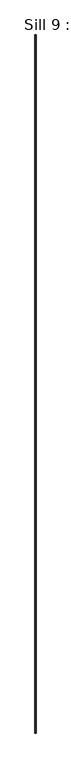
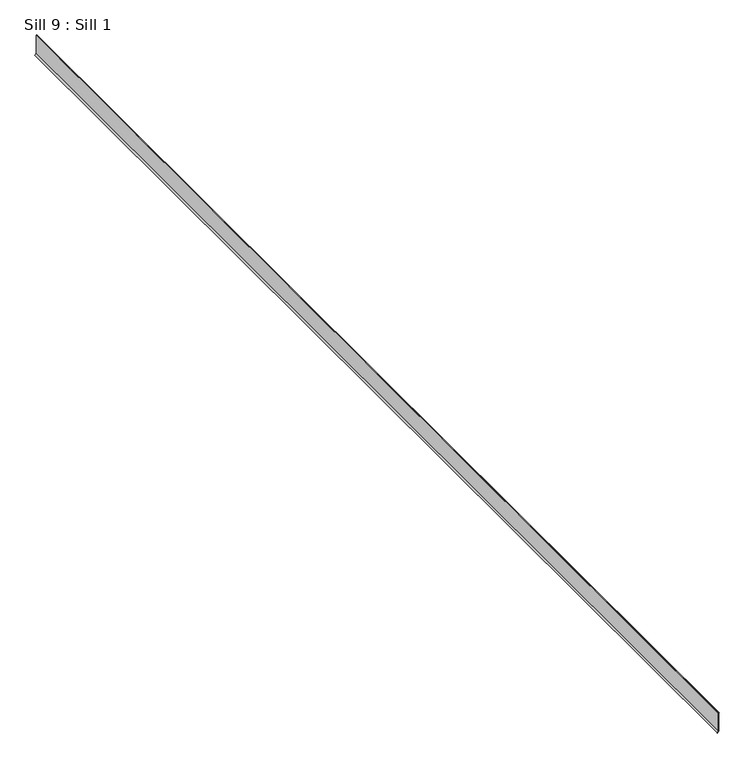
"""IFC4 building model written with IfcOpenShell, lengths in millimetres: proxy geometry, Sill 9 : Sill 1."""

from ifc_helpers import new_model, si_unit, frame, origin, place, context, project, spatial, polyline, outline, extrude, source, transform, mapped, element, save


def sill_9_sill_1_4b5778a6(model_context):
    return source(origin(), model_context, "Body", "SweptSolid", [
        extrude(outline(polyline([(-555.8098139, -12016.9597558), (-564.32308, -12025.4730219), (-565.4458804, -12024.3502214), (-556.4519246, -12015.3562657), (-436.7868188, -12015.3562657), (-434.8554468, -12013.0207094), (-433.6364158, -12014.0287785), (-436.060167, -12016.9597558), (-555.8098139, -12016.9597558)])), frame((0.0, 5367.6209953, 0.0), z_axis=(0.0, 1.0, 0.0), x_axis=(0.0, 0.0, 1.0)), (0.0, 0.0, 1.0), 7438.7178971),
    ])


if __name__ == "__main__":
    model = new_model("IFC4")
    model_context = context("Model", 3, world=origin())
    ifc_project = project(units=[si_unit("LENGTHUNIT", "METRE", prefix="MILLI")], contexts=[model_context])
    site = spatial("IfcSite", under=ifc_project)
    building = spatial("IfcBuilding", under=site)
    placement = place(None, origin())
    sill_9_sill_1_shape = sill_9_sill_1_4b5778a6(model_context)
    element("IfcBuildingElementProxy", 1, Name="Sill 9 : Sill 1", ObjectType="Sill 9 : Sill 1", at=placement, inside=building, context=model_context, shape_type="MappedRepresentation", body=[
        mapped(sill_9_sill_1_shape, transform((0.0, 0.0, 0.0), x_axis=(1.0, 0.0, 0.0), y_axis=(0.0, 1.0, 0.0), z_axis=(0.0, 0.0, 1.0))),
    ])
    save(model, "model.ifc")
